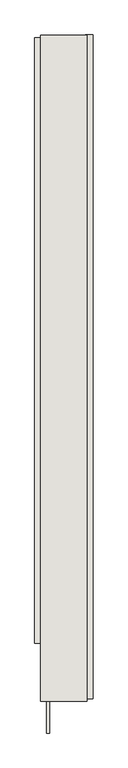
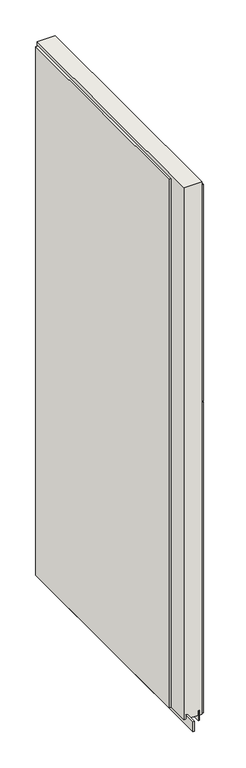
"""IFC4 building model written with IfcOpenShell, lengths in millimetres: wall geometry."""

from ifc_helpers import new_model, si_unit, frame, origin, place, context, project, spatial, polyline, outline, extrude, source, transform, mapped, element, save


def wall_1b4d8153(model_context):
    return source(origin(), model_context, "Body", "SweptSolid", [
        extrude(outline(polyline([(81688.342211, -50758.804375), (81688.342211, -50756.264375), (81690.882211, -50756.264375), (81690.882211, -50758.804375), (81688.342211, -50758.804375)])), frame((0.0, 0.0, 4419.6), z_axis=(0.0, 0.0, 1.0), x_axis=(1.0, 0.0, 0.0)), (0.0, 0.0, 1.0), 2.54),
        extrude(outline(polyline([(81740.412211, -49599.1582691), (81740.412211, -50754.3379501), (81727.712211, -50754.3379501), (81727.712211, -49599.1582691), (81740.412211, -49599.1582691)])), frame((0.0, 0.0, 5945.599869), z_axis=(0.0, 0.0, 1.0), x_axis=(1.0, 0.0, 0.0)), (0.0, 0.0, 1.0), 1044.449905),
        extrude(outline(polyline([(81740.412211, -49599.1582691), (81740.412211, -50754.3379501), (81727.712211, -50754.3379501), (81727.712211, -49599.1582691), (81740.412211, -49599.1582691)])), frame((0.0, 0.0, 4445.0), z_axis=(0.0, 0.0, 1.0), x_axis=(1.0, 0.0, 0.0)), (0.0, 0.0, 1.0), 1496.600004),
        extrude(outline(polyline([(81638.812211, -50658.0396159), (81638.812211, -49604.0885361), (81651.512211, -49604.0885361), (81651.512211, -50658.0396159), (81638.812211, -50658.0396159)])), frame((0.0, 0.0, 4445.0), z_axis=(0.0, 0.0, 1.0), x_axis=(1.0, 0.0, 0.0)), (0.0, 0.0, 1.0), 2545.0498756),
        extrude(outline(polyline([(81714.6959556, -50758.8025208), (81714.6959556, -49599.6205618), (81719.774711, -49599.6205618), (81719.774711, -50758.8025208), (81714.6959556, -50758.8025208)])), frame((0.0, 0.0, 4418.6602), z_axis=(0.0, 0.0, 1.0), x_axis=(1.0, 0.0, 0.0)), (0.0, 0.0, 1.0), 47.625),
        extrude(outline(polyline([(81714.6959556, -50758.8025208), (81714.6959556, -49599.6205618), (81719.774711, -49599.6205618), (81719.774711, -50758.8025208), (81714.6959556, -50758.8025208)])), frame((0.0, 0.0, 4418.6602), z_axis=(0.0, 0.0, 1.0), x_axis=(1.0, 0.0, 0.0)), (0.0, 0.0, 1.0), 47.625),
        extrude(outline(polyline([(81664.5284664, -49599.6205618), (81664.5284664, -50814.0983716), (81659.449711, -50814.0983716), (81659.449711, -49599.6205618), (81664.5284664, -49599.6205618)])), frame((0.0, 0.0, 4418.6602), z_axis=(0.0, 0.0, 1.0), x_axis=(1.0, 0.0, 0.0)), (0.0, 0.0, 1.0), 47.625),
        extrude(outline(polyline([(81664.5284664, -49599.6205618), (81664.5284664, -50814.0983716), (81659.449711, -50814.0983716), (81659.449711, -49599.6205618), (81664.5284664, -49599.6205618)])), frame((0.0, 0.0, 4418.6602), z_axis=(0.0, 0.0, 1.0), x_axis=(1.0, 0.0, 0.0)), (0.0, 0.0, 1.0), 47.625),
        extrude(outline(polyline([(81730.2670954, -50758.8025208), (81648.9573266, -50758.8025208), (81648.9573266, -49599.6205618), (81730.2670954, -49599.6205618), (81730.2670954, -50758.8025208)])), frame((0.0, 0.0, 4445.0), z_axis=(0.0, 0.0, 1.0), x_axis=(1.0, 0.0, 0.0)), (0.0, 0.0, 1.0), 2562.4536762),
    ])


if __name__ == "__main__":
    model = new_model("IFC4")
    model_context = context("Model", 3, world=origin())
    ifc_project = project(units=[si_unit("LENGTHUNIT", "METRE", prefix="MILLI")], contexts=[model_context])
    site = spatial("IfcSite", under=ifc_project)
    building = spatial("IfcBuilding", under=site)
    placement = place(None, origin())
    wall_shape = wall_1b4d8153(model_context)
    element("IfcWall", 1, at=placement, inside=building, context=model_context, shape_type="MappedRepresentation", body=[
        mapped(wall_shape, transform((0.0, 0.0, 0.0), x_axis=(1.0, 0.0, 0.0), y_axis=(0.0, 1.0, 0.0), z_axis=(0.0, 0.0, 1.0))),
    ])
    save(model, "model.ifc")
